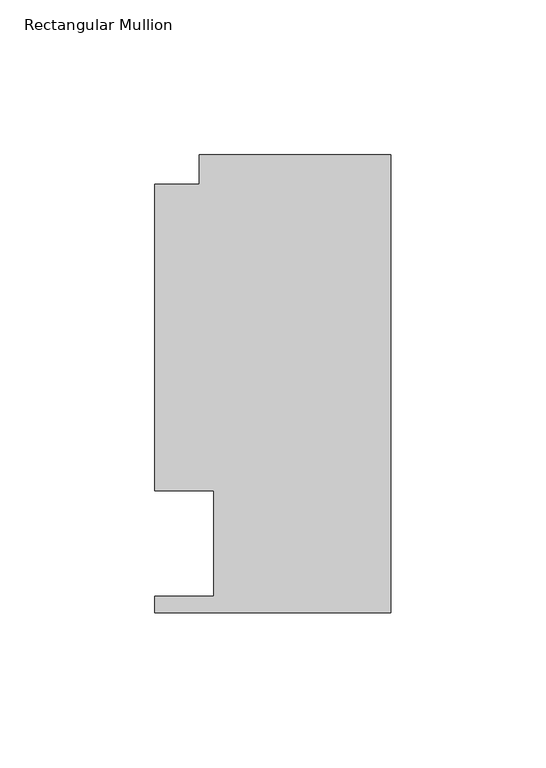
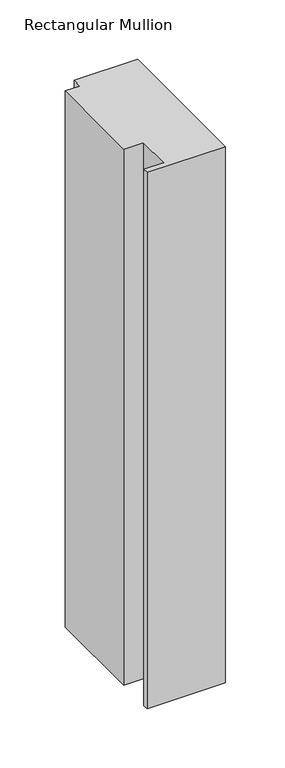
"""IFC4 building model written with IfcOpenShell, lengths in millimetres: member geometry, Rectangular Mullion."""

from ifc_helpers import new_model, si_unit, frame, origin, place, context, project, spatial, polyline, outline, extrude, source, transform, mapped, element, save


def rectangular_mullion_72bc8b01(model_context):
    return source(origin(), model_context, "Body", "SweptSolid", [
        extrude(outline(polyline([(-61.9124999, 147.847839), (0.0, 147.847839), (0.0, 0.019839), (-76.2, 0.019839), (-76.2, 5.353839), (-57.1499999, 5.353839), (-57.1499999, 39.3898438), (-76.1999999, 39.3898438), (-76.1999999, 138.322839), (-61.9124999, 138.322839), (-61.9124999, 147.847839)])), frame((0.0, 0.0, -551.4537125), z_axis=(0.0, 0.0, 1.0), x_axis=(1.0, 0.0, 0.0)), (0.0, 0.0, 1.0), 551.4537125),
    ])


if __name__ == "__main__":
    model = new_model("IFC4")
    model_context = context("Model", 3, world=origin())
    ifc_project = project(units=[si_unit("LENGTHUNIT", "METRE", prefix="MILLI")], contexts=[model_context])
    site = spatial("IfcSite", under=ifc_project)
    building = spatial("IfcBuilding", under=site)
    placement = place(None, origin())
    rectangular_mullion_shape = rectangular_mullion_72bc8b01(model_context)
    element("IfcMember", 1, ObjectType="Rectangular Mullion", at=placement, inside=building, context=model_context, shape_type="MappedRepresentation", body=[
        mapped(rectangular_mullion_shape, transform((0.0, 0.0, 0.0), x_axis=(1.0, 0.0, 0.0), y_axis=(0.0, 1.0, 0.0), z_axis=(0.0, 0.0, 1.0))),
    ])
    save(model, "model.ifc")
